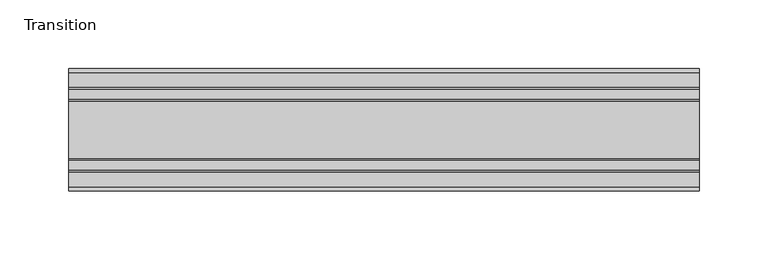
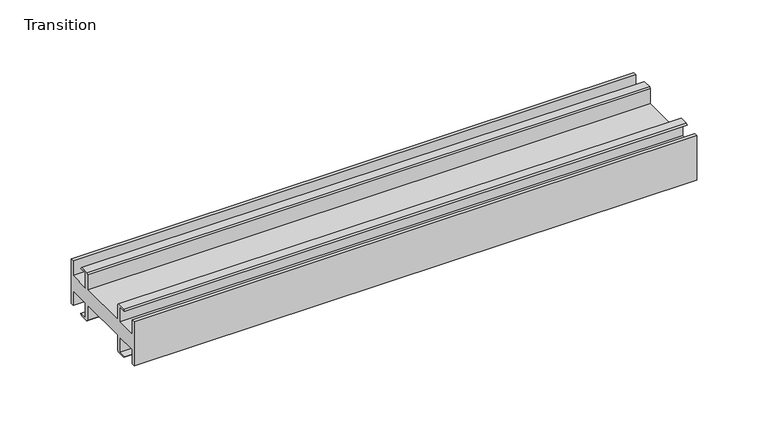
"""IFC4 building model written with IfcOpenShell, lengths in millimetres: furniture geometry, Transition."""

from ifc_helpers import new_model, si_unit, frame, origin, place, context, project, spatial, polyline, outline, extrude, source, transform, mapped, element, save


def transition_680ad0b8(model_context):
    return source(origin(), model_context, "Body", "SweptSolid", [
        extrude(outline(polyline([(-26.1481963, 6.6000002), (-8.7481957, 6.6000002), (-8.7481957, 19.4924102), (-15.1141535, 19.4924102), (-13.9690637, 20.6375), (-6.5932854, 20.6375), (-5.4481956, 19.4924102), (-5.4481956, 6.6000002), (36.4518057, 6.6000002), (36.4518057, 19.4924102), (37.5968955, 20.6375), (44.9726737, 20.6375), (46.1177636, 19.4924102), (39.7518058, 19.4924102), (39.7518058, 6.6000002), (57.1518064, 6.6000002), (57.1518064, 19.05), (59.951805, 19.05), (59.951805, -19.05), (57.1518064, -19.05), (57.1518064, -6.6000002), (39.7518058, -6.6000002), (39.7518058, -19.4924102), (46.1177636, -19.4924102), (44.9726737, -20.6375), (37.5968955, -20.6375), (36.4518057, -19.4924102), (36.4518057, -6.6000002), (-5.4481956, -6.6000002), (-5.4481956, -19.4924102), (-6.5932854, -20.6375), (-13.9690637, -20.6375), (-15.1141535, -19.4924102), (-8.7481957, -19.4924102), (-8.7481957, -6.6000002), (-26.1481963, -6.6000002), (-26.1481963, -19.05), (-28.948195, -19.05), (-28.948195, 19.05), (-26.1481963, 19.05), (-26.1481963, 6.6000002)])), frame((-198.6228469, 0.0, 0.0), z_axis=(1.0, 0.0, 0.0), x_axis=(0.0, 1.0, 0.0)), (0.0, 0.0, 1.0), 457.2),
    ])


if __name__ == "__main__":
    model = new_model("IFC4")
    model_context = context("Model", 3, world=origin())
    ifc_project = project(units=[si_unit("LENGTHUNIT", "METRE", prefix="MILLI")], contexts=[model_context])
    site = spatial("IfcSite", under=ifc_project)
    building = spatial("IfcBuilding", under=site)
    placement = place(None, origin())
    transition_shape = transition_680ad0b8(model_context)
    element("IfcFurniture", 1, ObjectType="Transition", at=placement, inside=building, context=model_context, shape_type="MappedRepresentation", body=[
        mapped(transition_shape, transform((0.0, 0.0, 0.0), x_axis=(1.0, 0.0, 0.0), y_axis=(0.0, 1.0, 0.0), z_axis=(0.0, 0.0, 1.0))),
    ])
    save(model, "model.ifc")
